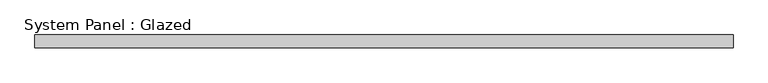
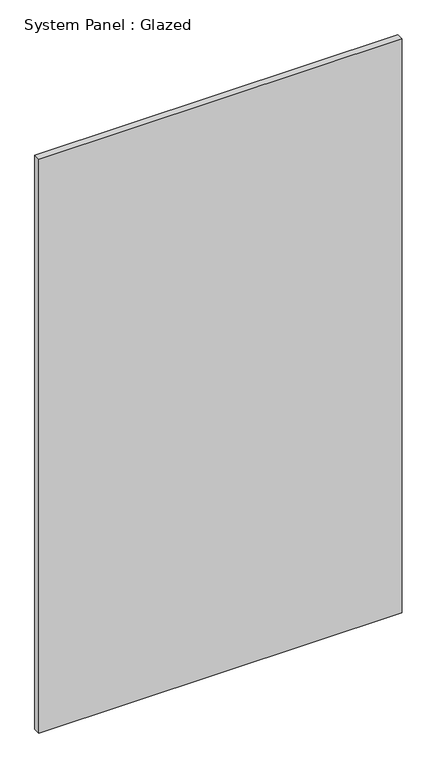
"""IFC4 building model written with IfcOpenShell, lengths in millimetres: plate geometry, System Panel : Glazed."""

import ifcopenshell
import ifcopenshell.guid

model = None  # the IFC model being written
_history = None  # IfcOwnerHistory: only IFC2X3 demands one
_inside = {}  # id of a spatial element -> (the spatial element, [elements in it])
_under = {}  # id of a project, library or spatial element -> (it, [spatial elements below it])
_declared = {}  # id of a project -> (the project, [libraries it declares])
_typed = {}  # id of a type object -> (the type object, [elements of that type])
_made_of = {}  # id of a material, layer set ... -> (it, [elements and type objects made of it])


def new_model(schema):
    """Start an empty IFC model of exactly this schema.

    Asked for "IFC4X3", IfcOpenShell would pick the latest addendum, in which some entities
    have other attributes; the version numbers below select the first issue.
    IFC2X3 requires an IfcOwnerHistory on every rooted entity: one is made here for all.
    """
    global model, _history
    if schema == "IFC4X3":
        model = ifcopenshell.file(schema_version=(4, 3, 0, 0))
    else:
        model = ifcopenshell.file(schema=schema)
    _inside.clear()
    _under.clear()
    _declared.clear()
    _typed.clear()
    _made_of.clear()
    _history = None
    if model.schema == "IFC2X3":
        org = make("IfcOrganization", Name="unknown")
        user = make(
            "IfcPersonAndOrganization",
            ThePerson=make("IfcPerson", FamilyName="unknown"),
            TheOrganization=org,
        )
        app = make(
            "IfcApplication",
            ApplicationDeveloper=org,
            Version="unknown",
            ApplicationFullName="unknown",
            ApplicationIdentifier="unknown",
        )
        _history = make(
            "IfcOwnerHistory",
            OwningUser=user,
            OwningApplication=app,
            ChangeAction="ADDED",
            CreationDate=0,
        )
    return model


def make(cls, **values):
    """One entity of the class cls with the attributes given. An attribute that is None is left unset."""
    return model.create_entity(
        cls, **{name: value for name, value in values.items() if value is not None}
    )


def rooted(cls, **values):
    """An entity with a GlobalId (a new one), such as an element, a storey or a relation."""
    return make(cls, GlobalId=ifcopenshell.guid.new(), OwnerHistory=_history, **values)


def si_unit(unit_type, name, prefix=None):
    """IfcSIUnit, for example si_unit("LENGTHUNIT", "METRE", prefix="MILLI")."""
    return make("IfcSIUnit", UnitType=unit_type, Prefix=prefix, Name=name)


def assignment(units):
    """IfcUnitAssignment: the units of a project."""
    return None if units is None else make("IfcUnitAssignment", Units=units)


def point(xyz):
    """IfcCartesianPoint."""
    return None if xyz is None else make("IfcCartesianPoint", Coordinates=xyz)


def direction(xyz):
    """IfcDirection."""
    return None if xyz is None else make("IfcDirection", DirectionRatios=xyz)


def frame(location, z_axis=None, x_axis=None):
    """IfcAxis2Placement3D, a coordinate frame: its origin and axes. An axis left out is left unset."""
    return make(
        "IfcAxis2Placement3D",
        Location=point(location),
        Axis=direction(z_axis),
        RefDirection=direction(x_axis),
    )


def origin():
    """The frame at (0, 0, 0) with its axes left unset."""
    return frame((0.0, 0.0, 0.0))


def origin_with_axes():
    """The frame at (0, 0, 0) with the z axis (0, 0, 1) and the x axis (1, 0, 0) written out."""
    return frame((0.0, 0.0, 0.0), z_axis=(0.0, 0.0, 1.0), x_axis=(1.0, 0.0, 0.0))


def place(relative_to, where):
    """IfcLocalPlacement: puts the frame where relative to a parent placement (None: the world)."""
    return make(
        "IfcLocalPlacement", PlacementRelTo=relative_to, RelativePlacement=where
    )


def context(
    kind, dimensions, precision=None, world=None, true_north=None, identifier=None
):
    """IfcGeometricRepresentationContext, for example the 3D "Model" context."""
    return make(
        "IfcGeometricRepresentationContext",
        ContextIdentifier=identifier,
        ContextType=kind,
        CoordinateSpaceDimension=dimensions,
        Precision=precision,
        WorldCoordinateSystem=world,
        TrueNorth=true_north,
    )


def project(units=None, contexts=None):
    """IfcProject with its units and contexts."""
    return rooted(
        "IfcProject",
        Name="project",
        RepresentationContexts=contexts,
        UnitsInContext=assignment(units),
    )


def spatial(cls, under=None, at=None, **own):
    """A site, building, storey or space (cls), placed at a placement, below another one or the project."""
    s = rooted(cls, ObjectPlacement=at, **own)
    if under is not None:
        _under.setdefault(under.id(), (under, []))[1].append(s)
    return s


def polyline(points):
    """IfcPolyline through the points."""
    return make("IfcPolyline", Points=[point(p) for p in points])


def outline(outer, holes=None, kind="AREA"):
    """IfcArbitraryClosedProfileDef: a profile drawn as a closed curve; with holes, ...WithVoids."""
    if holes is None:
        return make("IfcArbitraryClosedProfileDef", ProfileType=kind, OuterCurve=outer)
    return make(
        "IfcArbitraryProfileDefWithVoids",
        ProfileType=kind,
        OuterCurve=outer,
        InnerCurves=holes,
    )


def extrude(swept, where, along, depth):
    """IfcExtrudedAreaSolid: the profile swept, set in the frame where, extruded along a direction by depth."""
    return make(
        "IfcExtrudedAreaSolid",
        SweptArea=swept,
        Position=where,
        ExtrudedDirection=direction(along),
        Depth=depth,
    )


def shape(context_of_items, identifier, shape_type, items):
    """IfcShapeRepresentation: the items that make up one representation, for example the "Body"."""
    return make(
        "IfcShapeRepresentation",
        ContextOfItems=context_of_items,
        RepresentationIdentifier=identifier,
        RepresentationType=shape_type,
        Items=items,
    )


def source(mapping_origin, context_of_items, identifier, shape_type, items):
    """IfcRepresentationMap: a shape defined once, which mapped items show again and again."""
    return make(
        "IfcRepresentationMap",
        MappingOrigin=mapping_origin,
        MappedRepresentation=shape(context_of_items, identifier, shape_type, items),
    )


def transform(
    local_origin,
    x_axis=None,
    y_axis=None,
    z_axis=None,
    scale=None,
    scale2=None,
    scale3=None,
    uniform=True,
):
    """IfcCartesianTransformationOperator3D, or its non-uniform kind. x_axis, y_axis, z_axis: its Axis1, 2, 3."""
    if uniform:
        return make(
            "IfcCartesianTransformationOperator3D",
            Axis1=direction(x_axis),
            Axis2=direction(y_axis),
            LocalOrigin=point(local_origin),
            Scale=scale,
            Axis3=direction(z_axis),
        )
    return make(
        "IfcCartesianTransformationOperator3DnonUniform",
        Axis1=direction(x_axis),
        Axis2=direction(y_axis),
        LocalOrigin=point(local_origin),
        Scale=scale,
        Axis3=direction(z_axis),
        Scale2=scale2,
        Scale3=scale3,
    )


def mapped(mapping_source, mapping_target):
    """IfcMappedItem: shows the shape of a source again, moved by a transform."""
    return make(
        "IfcMappedItem", MappingSource=mapping_source, MappingTarget=mapping_target
    )


def made_of(thing, what):
    """Note that an element or type object is made of a material, layer set ...; save() writes the relation."""
    if what is not None:
        _made_of.setdefault(what.id(), (what, []))[1].append(thing)
    return thing


def element(
    cls,
    number,
    at=None,
    inside=None,
    cuts=None,
    type_object=None,
    material=None,
    context=None,
    identifier="Body",
    shape_type=None,
    held_by="IfcProductDefinitionShape",
    body=None,
    shapes=None,
    **own,
):
    """One element of the class cls, such as IfcWall. Its Tag is "e" and its number.

    at: its placement. inside: the storey or other place that contains it. cuts: it is an
    opening in that element (IfcRelVoidsElement). A single representation is given by context,
    identifier, shape_type and body (its items); several are given by shapes. held_by: the class
    of the entity that holds the representations. save() writes the other relations.
    """
    e = rooted(cls, Tag="e%d" % number, ObjectPlacement=at, **own)
    if body is not None:
        shapes = [shape(context, identifier, shape_type, body)]
    if shapes is not None:
        e.Representation = make(held_by, Representations=shapes)
    if inside is not None:
        _inside.setdefault(inside.id(), (inside, []))[1].append(e)
    if cuts is not None:
        rooted(
            "IfcRelVoidsElement", RelatingBuildingElement=cuts, RelatedOpeningElement=e
        )
    if type_object is not None:
        _typed.setdefault(type_object.id(), (type_object, []))[1].append(e)
    return made_of(e, material)


def aggregate(whole, parts):
    """IfcRelAggregates: a whole, such as a stair, and the parts it consists of."""
    return rooted("IfcRelAggregates", RelatingObject=whole, RelatedObjects=parts)


def save(model, path):
    """Write the relations noted so far, then the file.

    IfcRelAggregates (storeys below a building ...), IfcRelContainedInSpatialStructure (elements
    in a storey), IfcRelDefinesByType, IfcRelAssociatesMaterial and IfcRelDeclares: one each for
    every whole, place, type object, material and project.
    """
    for whole, parts in _under.values():
        aggregate(whole, parts)
    for where, things in _inside.values():
        rooted(
            "IfcRelContainedInSpatialStructure",
            RelatedElements=things,
            RelatingStructure=where,
        )
    for kind, things in _typed.values():
        rooted("IfcRelDefinesByType", RelatedObjects=things, RelatingType=kind)
    for what, things in _made_of.values():
        rooted("IfcRelAssociatesMaterial", RelatedObjects=things, RelatingMaterial=what)
    for by, libraries in _declared.values():
        rooted("IfcRelDeclares", RelatingContext=by, RelatedDefinitions=libraries)
    model.write(path)


def system_panel_glazed_715a6246(model_context):
    return source(origin(), model_context, "Body", "SweptSolid", [
        extrude(outline(polyline([(701.675, 19.05), (-701.675, 19.05), (-701.675, 44.45), (701.675, 44.45), (701.675, 19.05)])), origin_with_axes(), (0.0, 0.0, 1.0), 2343.15),
    ])


if __name__ == "__main__":
    model = new_model("IFC4")
    model_context = context("Model", 3, world=origin())
    ifc_project = project(units=[si_unit("LENGTHUNIT", "METRE", prefix="MILLI")], contexts=[model_context])
    site = spatial("IfcSite", under=ifc_project)
    building = spatial("IfcBuilding", under=site)
    placement = place(None, origin())
    system_panel_glazed_shape = system_panel_glazed_715a6246(model_context)
    element("IfcPlate", 1, ObjectType="System Panel : Glazed", at=placement, inside=building, context=model_context, shape_type="MappedRepresentation", body=[
        mapped(system_panel_glazed_shape, transform((0.0, 0.0, 0.0), x_axis=(1.0, 0.0, 0.0), y_axis=(0.0, 1.0, 0.0), z_axis=(0.0, 0.0, 1.0))),
    ])
    save(model, "model.ifc")
